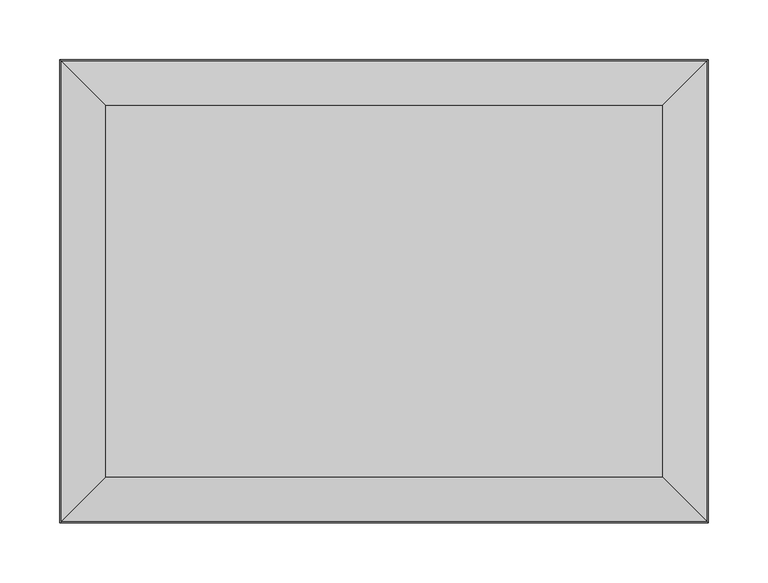
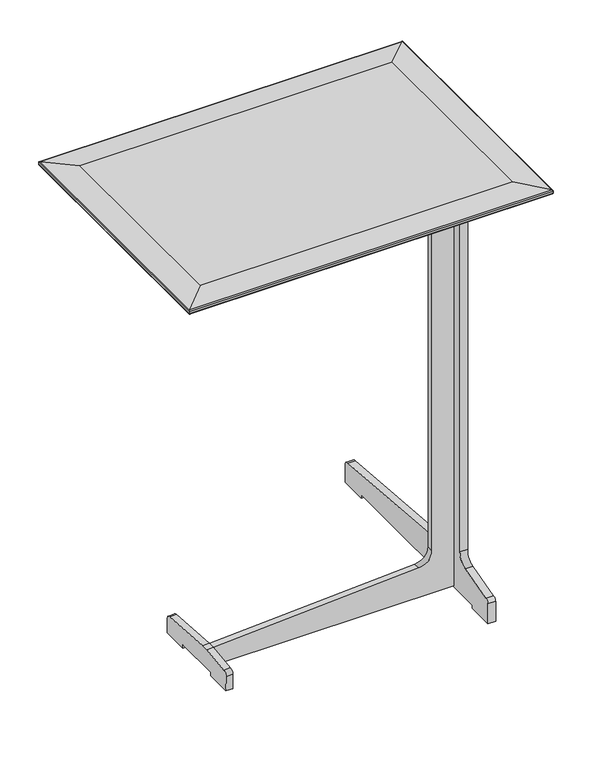
"""IFC4 building model written with IfcOpenShell, lengths in millimetres: furniture geometry."""

from ifc_helpers import new_model, si_unit, frame, origin, place, context, project, spatial, polyline, circle_curve, ellipse_curve, source, transform, mapped, element, save
from ifc_brep_helpers import plane_surface, cylinder_surface, revolved_surface, advanced_brep


def furniture_0f95e868(model_context):
    return source(origin(), model_context, "Body", "AdvancedBrep", [
        advanced_brep(
        [(-186.606408, -94.0830605, 627.0205936), (-180.122487, -94.0830605, 620.5366727), (134.1874543, -94.0830605, 604.0643866), (148.1871101, -94.0830605, 590.0647308), (148.1871101, -94.0830605, 72.8053398), (128.2004925, -94.0830605, 52.8187223), (-176.3349419, -94.0830605, 34.7457989), (-176.8279351, -94.0830605, 34.7457989), (-176.8279351, -94.0830605, 5.1358119), (-176.0707342, -94.0830605, 5.1358119), (-176.0707342, -94.0830605, 6.35), (180.3779384, -94.0830605, 6.35), (180.3779384, -94.0830605, 641.35), (-186.606408, -94.0830605, 641.35), (-186.606408, -84.0123573, 627.0205936), (-186.606408, -84.0123573, 641.35), (180.3779384, -84.0123573, 641.35), (180.3779384, -84.0123573, 6.35), (-176.0707342, -84.0123573, 6.35), (-176.0707342, -84.0123573, 5.1358119), (-176.8279351, -84.0123573, 5.1358119), (-176.8279351, -84.0123573, 34.7457989), (-176.3349419, -84.0123573, 34.7457989), (128.2004925, -84.0123573, 52.8187223), (148.1871101, -84.0123573, 72.8053398), (148.1871101, -84.0123573, 590.0647308), (134.1874543, -84.0123573, 604.0643866), (-180.122487, -84.0123573, 620.5366727), (-186.7500707, -84.0123573, 34.7457989), (-186.7500707, -94.0830605, 34.7457989), (-186.7500707, 1.1153003, 28.7930931), (-186.7500707, 7.0319885, 21.7418588), (-186.7500707, 7.0319885, -0.4860313), (-186.7500707, -32.8991316, -0.4860313), (-186.7500707, -32.8991316, 5.135814), (-186.7500707, -104.2427513, 5.135814), (-186.7500707, -104.2427513, -0.4860313), (-186.7500707, -143.3785569, -0.4860313), (-186.7500707, -144.6054754, 22.9249681), (-186.7500707, -138.2017369, 29.3287065), (-176.8279351, -104.2427513, 5.1358119), (-176.8279351, -32.8991316, 5.1358119), (180.3779384, -110.3904953, 641.35), (191.5691137, -110.3904953, 641.35), (191.5691137, 110.7139085, 641.35), (180.3779384, 110.7139085, 641.35), (-176.8279351, 1.1153003, 28.7930931), (-176.8279351, -32.8991316, -0.4860313), (-176.8279351, 7.0319885, -0.4860313), (-176.8279351, 7.0319885, 21.7418588), (-176.8279351, -138.2017369, 29.3287065), (-176.8279351, -144.6054754, 22.9249681), (-176.8279351, -143.3785569, -0.4860313), (-176.8279351, -104.2427513, -0.4860313), (191.5691137, -182.468363, 31.75), (191.5691137, -182.468363, 0.0), (191.5691137, -141.878367, 0.0), (191.5691137, -141.878367, 5.1357953), (191.5691137, 143.871633, 5.1357953), (191.5691137, 143.871633, 0.0), (191.5691137, 185.2595382, 0.0), (191.5691137, 185.2595382, 27.1019351), (191.5691137, 178.1320116, 34.2294617), (191.5691137, -48.7268523, 51.911315), (191.5691137, -69.2744004, 72.458863), (191.5691137, -69.2744004, 588.7297569), (191.5691137, -55.1560761, 604.9710311), (191.5691137, 104.1808459, 620.2203122), (191.5691137, 110.7139085, 626.7533749), (191.5691137, -110.3904953, 69.7644166), (191.5691137, -123.6486933, 51.5160727), (191.5691137, -176.996899, 37.2214641), (180.3779384, -182.468363, 31.75), (180.3779384, -176.996899, 37.2214641), (180.3779384, -123.6486933, 51.5160727), (180.3779384, -110.3904953, 69.7644166), (180.3779384, 110.7139085, 626.7533749), (180.3779384, 104.1808459, 620.2203122), (180.3779384, -55.1560761, 604.9710311), (180.3779384, -69.2744004, 588.7297569), (180.3779384, -69.2744004, 72.458863), (180.3779384, -48.7268523, 51.911315), (180.3779384, 178.1320116, 34.2294617), (180.3779384, 185.2595382, 27.1019351), (180.3779384, 185.2595382, 0.0), (180.3779384, 143.871633, 0.0), (180.3779384, 143.871633, 5.1357953), (180.3779384, -141.878367, 5.1357953), (180.3779384, -141.878367, 0.0), (180.3779384, -182.468363, 0.0)],
        [
            (0, 1, circle_curve(frame((-180.122487, -94.0830605, 627.0205936), z_axis=(0.0, -1.0, 0.0), x_axis=(1.0, 0.0, 0.0)), 6.483921)),
            (1, 2),
            (2, 3, circle_curve(frame((134.1874543, -94.0830605, 590.0647308), z_axis=(0.0, 1.0, 0.0), x_axis=(1.0, 0.0, 0.0)), 13.9996558)),
            (3, 4),
            (4, 5, circle_curve(frame((128.2004925, -94.0830605, 72.8053398), z_axis=(0.0, 1.0, 0.0), x_axis=(1.0, 0.0, 0.0)), 19.9866176)),
            (5, 6),
            (6, 7),
            (7, 8),
            (8, 9),
            (9, 10),
            (10, 11),
            (11, 12),
            (12, 13),
            (13, 0),
            (14, 15),
            (15, 16),
            (16, 17),
            (17, 18),
            (18, 19),
            (19, 20),
            (20, 21),
            (21, 22),
            (22, 23),
            (23, 24, circle_curve(frame((128.2004925, -84.0123573, 72.8053398), z_axis=(0.0, -1.0, 0.0), x_axis=(1.0, 0.0, 0.0)), 19.9866176)),
            (24, 25),
            (25, 26, circle_curve(frame((134.1874543, -84.0123573, 590.0647308), z_axis=(0.0, -1.0, 0.0), x_axis=(1.0, 0.0, 0.0)), 13.9996558)),
            (26, 27),
            (27, 14, circle_curve(frame((-180.122487, -84.0123573, 627.0205936), z_axis=(0.0, 1.0, 0.0), x_axis=(1.0, 0.0, 0.0)), 6.483921)),
            (0, 14),
            (27, 1),
            (26, 2),
            (25, 3),
            (24, 4),
            (23, 5),
            (22, 6),
            (21, 28),
            (28, 29),
            (29, 7),
            (28, 30),
            (30, 31, circle_curve(frame((-186.7500707, 0.6689955, 22.4106363), z_axis=(-1.0, 0.0, 0.0), x_axis=(0.0, 0.0, -1.0)), 6.3980422)),
            (31, 32),
            (32, 33),
            (33, 34),
            (34, 35),
            (35, 36),
            (36, 37),
            (37, 38),
            (38, 39, circle_curve(frame((-186.7500707, -138.2017369, 22.9249681), z_axis=(-1.0, 0.0, 0.0), x_axis=(0.0, 0.0, -1.0)), 6.4037385)),
            (39, 29),
            (19, 9),
            (8, 40),
            (40, 35),
            (34, 41),
            (41, 20),
            (18, 10),
            (17, 11),
            (12, 42),
            (42, 43),
            (43, 44),
            (44, 45),
            (45, 16),
            (15, 13),
            (46, 21),
            (41, 47),
            (47, 48),
            (48, 49),
            (49, 46, circle_curve(frame((-176.8279351, 0.6689955, 22.4106363), z_axis=(1.0, 0.0, 0.0), x_axis=(0.0, 0.0, -1.0)), 6.3980422)),
            (7, 50),
            (50, 51, circle_curve(frame((-176.8279351, -138.2017369, 22.9249681), z_axis=(1.0, 0.0, 0.0), x_axis=(0.0, 0.0, -1.0)), 6.4037385)),
            (51, 52),
            (52, 53),
            (53, 40),
            (49, 31),
            (30, 46),
            (48, 32),
            (47, 33),
            (53, 36),
            (52, 37),
            (51, 38),
            (50, 39),
            (54, 55),
            (55, 56),
            (56, 57),
            (57, 58),
            (58, 59),
            (59, 60),
            (60, 61),
            (61, 62, circle_curve(frame((191.5691137, 178.1320116, 27.1019351), z_axis=(1.0, 0.0, 0.0), x_axis=(0.0, 1.0, 0.0)), 7.1275266)),
            (62, 63),
            (63, 64, circle_curve(frame((191.5691137, -48.7268523, 72.458863), z_axis=(-1.0, 0.0, 0.0), x_axis=(0.0, 1.0, 0.0)), 20.547548)),
            (64, 65),
            (65, 66, circle_curve(frame((191.5691137, -53.6677906, 589.4202111), z_axis=(-1.0, 0.0, 0.0), x_axis=(0.0, 1.0, 0.0)), 15.6218755)),
            (66, 67),
            (67, 68, circle_curve(frame((191.5691137, 104.1808459, 626.7533749), z_axis=(1.0, 0.0, 0.0), x_axis=(0.0, 1.0, 0.0)), 6.5330626)),
            (68, 44),
            (43, 69),
            (69, 70, circle_curve(frame((191.5691137, -128.2870083, 68.8265001), z_axis=(-1.0, 0.0, 0.0), x_axis=(0.0, 1.0, 0.0)), 17.9210732)),
            (70, 71),
            (71, 54, circle_curve(frame((191.5691137, -176.996899, 31.75), z_axis=(1.0, 0.0, 0.0), x_axis=(0.0, 1.0, 0.0)), 5.4714641)),
            (72, 73, circle_curve(frame((180.3779384, -176.996899, 31.75), z_axis=(-1.0, 0.0, 0.0), x_axis=(0.0, 1.0, 0.0)), 5.4714641)),
            (73, 74),
            (74, 75, circle_curve(frame((180.3779384, -128.2870083, 68.8265001), z_axis=(1.0, 0.0, 0.0), x_axis=(0.0, 1.0, 0.0)), 17.9210732)),
            (75, 42),
            (45, 76),
            (76, 77, circle_curve(frame((180.3779384, 104.1808459, 626.7533749), z_axis=(-1.0, 0.0, 0.0), x_axis=(0.0, 1.0, 0.0)), 6.5330626)),
            (77, 78),
            (78, 79, circle_curve(frame((180.3779384, -53.6677906, 589.4202111), z_axis=(1.0, 0.0, 0.0), x_axis=(0.0, 1.0, 0.0)), 15.6218755)),
            (79, 80),
            (80, 81, circle_curve(frame((180.3779384, -48.7268523, 72.458863), z_axis=(1.0, 0.0, 0.0), x_axis=(0.0, 1.0, 0.0)), 20.547548)),
            (81, 82),
            (82, 83, circle_curve(frame((180.3779384, 178.1320116, 27.1019351), z_axis=(-1.0, 0.0, 0.0), x_axis=(0.0, 1.0, 0.0)), 7.1275266)),
            (83, 84),
            (84, 85),
            (85, 86),
            (86, 87),
            (87, 88),
            (88, 89),
            (89, 72),
            (54, 72),
            (89, 55),
            (88, 56),
            (87, 57),
            (86, 58),
            (85, 59),
            (84, 60),
            (83, 61),
            (82, 62),
            (81, 63),
            (80, 64),
            (79, 65),
            (78, 66),
            (77, 67),
            (76, 68),
            (75, 69),
            (74, 70),
            (73, 71),
        ],
        [
            plane_surface(frame((-173.638566, -94.0830605, 627.0205936), z_axis=(0.0, -1.0, 0.0), x_axis=(0.0, 0.0, 1.0))),
            plane_surface(frame((-173.638566, -84.0123573, 627.0205936), z_axis=(0.0, 1.0, 0.0), x_axis=(0.0, 0.0, -1.0))),
            cylinder_surface(frame((-180.122487, -84.0123573, 627.0205936), z_axis=(0.0, -1.0, 0.0), x_axis=(1.0, 0.0, 0.0)), 6.483921),
            plane_surface(frame((-180.122487, -94.0830605, 620.5366727), z_axis=(-0.052335956242946874, 0.0, -0.9986295347545737), x_axis=(0.0, 1.0, 0.0))),
            revolved_surface(polyline([(148.1871101, -84.0123573, 590.0647308), (148.1871101, -94.0830605, 590.0647308)]), (134.1874543, -84.0123573, 590.0647308), (0.0, 1.0, 0.0)),
            plane_surface(frame((148.1871101, -94.0830605, 590.0647308), z_axis=(-1.0, 0.0, 0.0), x_axis=(0.0, 1.0, 0.0))),
            revolved_surface(polyline([(148.18711009999998, -84.0123573, 72.8053398), (148.18711009999998, -94.0830605, 72.8053398)]), (128.2004925, -84.0123573, 72.8053398), (0.0, 1.0, 0.0)),
            plane_surface(frame((128.2004925, -94.0830605, 52.8187223), z_axis=(-0.05924164940465884, 0.0, 0.9982436711423797), x_axis=(0.0, 1.0, 0.0))),
            plane_surface(frame((-176.3349419, -94.0830605, 34.7457989), z_axis=(0.0, 0.0, 1.0), x_axis=(0.0, 1.0, 0.0))),
            plane_surface(frame((-186.7500707, -94.0830605, 34.7457989), z_axis=(-1.0, 0.0, 0.0), x_axis=(0.0, 1.0, 0.0))),
            plane_surface(frame((-186.7500707, -94.0830605, 5.1358119), z_axis=(0.0, 0.0, -1.0), x_axis=(0.0, 1.0, 0.0))),
            plane_surface(frame((-176.0707342, -94.0830605, 5.1358119), z_axis=(1.0, 0.0, 0.0), x_axis=(0.0, 1.0, 0.0))),
            plane_surface(frame((-176.0707342, -94.0830605, 6.35), z_axis=(0.0, 0.0, -1.0), x_axis=(0.0, 1.0, 0.0))),
            plane_surface(frame((180.3779384, -94.0830605, 641.35), z_axis=(0.0, 0.0, 1.0), x_axis=(0.0, 1.0, 0.0))),
            plane_surface(frame((-186.606408, -94.0830605, 641.35), z_axis=(-1.0, 0.0, 0.0), x_axis=(0.0, 1.0, 0.0))),
            plane_surface(frame((-176.8279351, 0.6689955, 16.0125941), z_axis=(1.0, 0.0, 0.0), x_axis=(0.0, 1.0, 0.0))),
            cylinder_surface(frame((-176.8279351, 0.6689955, 22.4106363), z_axis=(-1.0, 0.0, 0.0), x_axis=(0.0, 0.0, -1.0)), 6.3980422),
            plane_surface(frame((-186.7500707, 7.0319885, 21.7418588), z_axis=(0.0, 1.0, 0.0), x_axis=(1.0, 0.0, 0.0))),
            plane_surface(frame((-186.7500707, 7.0319885, -0.4860313), z_axis=(0.0, 0.0, -1.0), x_axis=(1.0, 0.0, 0.0))),
            plane_surface(frame((-186.7500707, -32.8991316, -0.4860313), z_axis=(0.0, -1.0, 0.0), x_axis=(1.0, 0.0, 0.0))),
            plane_surface(frame((-186.7500707, -104.2427513, 5.135814), z_axis=(0.0, 1.0, 0.0), x_axis=(1.0, 0.0, 0.0))),
            plane_surface(frame((-186.7500707, -104.2427513, -0.4860313), z_axis=(0.0, 0.0, -1.0), x_axis=(1.0, 0.0, 0.0))),
            plane_surface(frame((-186.7500707, -143.3785569, -0.4860313), z_axis=(0.0, -0.9986295347545738, -0.05233595624294578), x_axis=(1.0, 0.0, 0.0))),
            cylinder_surface(frame((-176.8279351, -138.2017369, 22.9249681), z_axis=(-1.0, 0.0, 0.0), x_axis=(0.0, 0.0, -1.0)), 6.4037385),
            plane_surface(frame((-186.7500707, -138.2017369, 29.3287065), z_axis=(0.0, -0.12186934340514917, 0.9925461516413219), x_axis=(1.0, 0.0, 0.0))),
            plane_surface(frame((-186.7500707, -84.0123573, 34.7457989), z_axis=(0.0, 0.06975647374412357, 0.9975640502598244), x_axis=(1.0, 0.0, 0.0))),
            plane_surface(frame((191.5691137, -182.468363, 0.0), z_axis=(1.0, 0.0, 0.0), x_axis=(0.0, 0.0, -1.0))),
            plane_surface(frame((180.3779384, -182.468363, 0.0), z_axis=(-1.0, 0.0, 0.0), x_axis=(0.0, 0.0, 1.0))),
            plane_surface(frame((191.5691137, -182.468363, 31.75), z_axis=(0.0, -1.0, 0.0), x_axis=(-1.0, 0.0, 0.0))),
            plane_surface(frame((191.5691137, -182.468363, 0.0), z_axis=(0.0, 0.0, -1.0), x_axis=(-1.0, 0.0, 0.0))),
            plane_surface(frame((191.5691137, -141.878367, 0.0), z_axis=(0.0, 1.0, 0.0), x_axis=(-1.0, 0.0, 0.0))),
            plane_surface(frame((191.5691137, -141.878367, 5.1357953), z_axis=(0.0, 0.0, -1.0), x_axis=(-1.0, 0.0, 0.0))),
            plane_surface(frame((191.5691137, 143.871633, 5.1357953), z_axis=(0.0, -1.0, 0.0), x_axis=(-1.0, 0.0, 0.0))),
            plane_surface(frame((191.5691137, 143.871633, 0.0), z_axis=(0.0, 0.0, -1.0), x_axis=(-1.0, 0.0, 0.0))),
            plane_surface(frame((191.5691137, 185.2595382, 0.0), z_axis=(0.0, 1.0, 0.0), x_axis=(-1.0, 0.0, 0.0))),
            cylinder_surface(frame((180.3779384, 178.1320116, 27.1019351), z_axis=(1.0, 0.0, 0.0), x_axis=(0.0, 1.0, 0.0)), 7.1275266),
            plane_surface(frame((191.5691137, 178.1320116, 34.2294617), z_axis=(0.0, 0.07770641205814968, 0.9969762853373441), x_axis=(-1.0, 0.0, 0.0))),
            revolved_surface(polyline([(180.3779384, -28.1793043, 72.458863), (191.5691137, -28.1793043, 72.458863)]), (180.3779384, -48.7268523, 72.458863), (-1.0, 0.0, 0.0)),
            plane_surface(frame((191.5691137, -69.2744004, 72.458863), z_axis=(0.0, 1.0, 0.0), x_axis=(-1.0, 0.0, 0.0))),
            revolved_surface(polyline([(180.3779384, -38.045915099999995, 589.4202111), (191.5691137, -38.045915099999995, 589.4202111)]), (180.3779384, -53.6677906, 589.4202111), (-1.0, 0.0, 0.0)),
            plane_surface(frame((191.5691137, -55.1560761, 604.9710311), z_axis=(0.0, 0.09526932052312856, -0.9954515340121093), x_axis=(-1.0, 0.0, 0.0))),
            cylinder_surface(frame((180.3779384, 104.1808459, 626.7533749), z_axis=(1.0, 0.0, 0.0), x_axis=(0.0, 1.0, 0.0)), 6.5330626),
            plane_surface(frame((191.5691137, 110.7139085, 626.7533749), z_axis=(0.0, 1.0, 0.0), x_axis=(-1.0, 0.0, 0.0))),
            plane_surface(frame((191.5691137, -110.3904953, 641.35), z_axis=(0.0, -1.0, 0.0), x_axis=(-1.0, 0.0, 0.0))),
            revolved_surface(polyline([(180.3779384, -110.3659351, 68.8265001), (191.5691137, -110.3659351, 68.8265001)]), (180.3779384, -128.2870083, 68.8265001), (-1.0, 0.0, 0.0)),
            plane_surface(frame((191.5691137, -123.6486933, 51.5160727), z_axis=(0.0, -0.25881904510252035, 0.9659258262890684), x_axis=(-1.0, 0.0, 0.0))),
            cylinder_surface(frame((180.3779384, -176.996899, 31.75), z_axis=(1.0, 0.0, 0.0), x_axis=(0.0, 1.0, 0.0)), 5.4714641),
        ],
        [
            (0, [[1, 2, 3, 4, 5, 6, 7, 8, 9, 10, 11, 12, 13, 14]]),
            (1, [[15, 16, 17, 18, 19, 20, 21, 22, 23, 24, 25, 26, 27, 28]]),
            (2, [[-1, 29, -28, 30]]),
            (3, [[-2, -30, -27, 31]]),
            (4, [[-3, -31, -26, 32]]),
            (5, [[-4, -32, -25, 33]]),
            (6, [[-5, -33, -24, 34]]),
            (7, [[-6, -34, -23, 35]]),
            (8, [[-35, -22, 36, 37, 38, -7]]),
            (9, [[-37, 39, 40, 41, 42, 43, 44, 45, 46, 47, 48, 49]]),
            (10, [[50, -9, 51, 52, -44, 53, 54, -20]]),
            (11, [[-10, -50, -19, 55]]),
            (12, [[-11, -55, -18, 56]]),
            (13, [[-13, 57, 58, 59, 60, 61, -16, 62]]),
            (14, [[-14, -62, -15, -29]]),
            (15, [[63, -21, -54, 64, 65, 66, 67]]),
            (15, [[68, 69, 70, 71, 72, -51, -8]]),
            (16, [[-67, 73, -40, 74]]),
            (17, [[-66, 75, -41, -73]]),
            (18, [[-65, 76, -42, -75]]),
            (19, [[-64, -53, -43, -76]]),
            (20, [[-72, 77, -45, -52]]),
            (21, [[-71, 78, -46, -77]]),
            (22, [[-70, 79, -47, -78]]),
            (23, [[-69, 80, -48, -79]]),
            (24, [[-68, -38, -49, -80]]),
            (25, [[-63, -74, -39, -36]]),
            (26, [[81, 82, 83, 84, 85, 86, 87, 88, 89, 90, 91, 92, 93, 94, 95, -59, 96, 97, 98, 99]]),
            (27, [[100, 101, 102, 103, -57, -12, -56, -17, -61, 104, 105, 106, 107, 108, 109, 110, 111, 112, 113, 114, 115, 116, 117, 118]]),
            (28, [[-81, 119, -118, 120]]),
            (29, [[-82, -120, -117, 121]]),
            (30, [[-83, -121, -116, 122]]),
            (31, [[-84, -122, -115, 123]]),
            (32, [[-85, -123, -114, 124]]),
            (33, [[-86, -124, -113, 125]]),
            (34, [[-87, -125, -112, 126]]),
            (35, [[-88, -126, -111, 127]]),
            (36, [[-89, -127, -110, 128]]),
            (37, [[-90, -128, -109, 129]]),
            (38, [[-91, -129, -108, 130]]),
            (39, [[-92, -130, -107, 131]]),
            (40, [[-93, -131, -106, 132]]),
            (41, [[-94, -132, -105, 133]]),
            (42, [[-95, -133, -104, -60]]),
            (43, [[-96, -58, -103, 134]]),
            (44, [[-97, -134, -102, 135]]),
            (45, [[-98, -135, -101, 136]]),
            (46, [[-99, -136, -100, -119]]),
        ],
    ),
        advanced_brep(
        [(-232.1222344, 154.5508911, 660.4), (-232.1222344, -155.5271298, 660.4), (232.1222344, -155.5271298, 660.4), (232.1222344, 154.5508911, 660.4), (-248.4739026, -171.878798, 641.35), (-248.4739026, 170.9025593, 641.35), (248.4739026, 170.9025593, 641.35), (248.4739026, -171.878798, 641.35), (-269.2428324, 191.671489, 657.1523685), (-269.2428324, -192.6477277, 657.1523685), (-269.2428324, 191.671489, 651.034711), (-269.2428324, -192.6477277, 651.034711), (-270.5344247, -193.93932, 652.3263033), (-270.5344247, 192.9630813, 652.3263033), (-270.5344247, -193.93932, 655.8607762), (-270.5344247, 192.9630813, 655.8607762), (269.2428324, -192.6477277, 657.1523685), (269.2428324, -192.6477277, 651.034711), (270.5344247, -193.93932, 652.3263033), (270.5344247, -193.93932, 655.8607762), (269.2428324, 191.671489, 657.1523685), (269.2428324, 191.671489, 651.034711), (270.5344247, 192.9630813, 652.3263033), (270.5344247, 192.9630813, 655.8607762)],
        [
            (0, 1),
            (1, 2),
            (2, 3),
            (3, 0),
            (4, 5),
            (5, 6),
            (6, 7),
            (7, 4),
            (0, 8),
            (8, 9),
            (9, 1),
            (10, 5),
            (4, 11),
            (11, 10),
            (11, 12, ellipse_curve(frame((-269.2428324, -192.6477277, 652.3263033), z_axis=(-0.7071067811865475, 0.7071067811865475, 0.0), x_axis=(0.7071067811865474, 0.7071067811865476, 0.0)), 1.8265874, 1.2915923)),
            (12, 13),
            (13, 10, ellipse_curve(frame((-269.2428324, 191.671489, 652.3263033), z_axis=(-0.7071067811865475, -0.7071067811865475, 0.0), x_axis=(-0.7071067811865474, 0.7071067811865476, 0.0)), 1.8265874, 1.2915923)),
            (12, 14),
            (14, 15),
            (15, 13),
            (8, 15, ellipse_curve(frame((-269.2428324, 191.671489, 655.8607762), z_axis=(-0.7071067811865475, -0.7071067811865475, 0.0), x_axis=(-0.7071067811865474, 0.7071067811865476, 0.0)), 1.8265874, 1.2915923)),
            (14, 9, ellipse_curve(frame((-269.2428324, -192.6477277, 655.8607762), z_axis=(-0.7071067811865475, 0.7071067811865475, 0.0), x_axis=(0.7071067811865474, 0.7071067811865476, 0.0)), 1.8265874, 1.2915923)),
            (9, 16),
            (16, 2),
            (7, 17),
            (17, 11),
            (17, 18, ellipse_curve(frame((269.2428324, -192.6477277, 652.3263033), z_axis=(-0.7071067811865475, -0.7071067811865475, 0.0), x_axis=(-0.7071067811865476, 0.7071067811865474, 0.0)), 1.8265874, 1.2915923)),
            (18, 12),
            (18, 19),
            (19, 14),
            (19, 16, ellipse_curve(frame((269.2428324, -192.6477277, 655.8607762), z_axis=(-0.7071067811865475, -0.7071067811865475, 0.0), x_axis=(-0.7071067811865476, 0.7071067811865474, 0.0)), 1.8265874, 1.2915923)),
            (16, 20),
            (20, 3),
            (6, 21),
            (21, 17),
            (21, 22, ellipse_curve(frame((269.2428324, 191.671489, 652.3263033), z_axis=(0.7071067811865475, -0.7071067811865475, 0.0), x_axis=(-0.7071067811865474, -0.7071067811865476, 0.0)), 1.8265874, 1.2915923)),
            (22, 18),
            (22, 23),
            (23, 19),
            (23, 20, ellipse_curve(frame((269.2428324, 191.671489, 655.8607762), z_axis=(0.7071067811865475, -0.7071067811865475, 0.0), x_axis=(-0.7071067811865474, -0.7071067811865476, 0.0)), 1.8265874, 1.2915923)),
            (20, 8),
            (10, 21),
            (13, 22),
            (15, 23),
        ],
        [
            plane_surface(frame((-232.1222344, 154.5508911, 660.4), z_axis=(0.0, 0.0, 1.0), x_axis=(-1.0, 0.0, 0.0))),
            plane_surface(frame((-232.1222344, 154.5508911, 641.35), z_axis=(0.0, 0.0, -1.0), x_axis=(1.0, 0.0, 0.0))),
            plane_surface(frame((-269.2428324, 191.671489, 657.1523685), z_axis=(-0.08715574274765535, 0.0, 0.9961946980917458), x_axis=(0.0, -1.0, 0.0))),
            plane_surface(frame((-248.4739026, 170.9025593, 641.35), z_axis=(-0.4226182617407016, 0.0, -0.906307787036649), x_axis=(0.0, -1.0, 0.0))),
            cylinder_surface(frame((-269.2428324, 154.5508911, 652.3263033), z_axis=(0.0, 1.0, 0.0), x_axis=(1.0, 0.0, 0.0)), 1.2915923),
            plane_surface(frame((-270.5344247, 192.9630813, 652.3263033), z_axis=(-1.0, 0.0, 0.0), x_axis=(0.0, -1.0, 0.0))),
            cylinder_surface(frame((-269.2428324, 154.5508911, 655.8607762), z_axis=(0.0, 1.0, 0.0), x_axis=(1.0, 0.0, 0.0)), 1.2915923),
            plane_surface(frame((-269.2428324, -192.6477277, 657.1523685), z_axis=(0.0, -0.0871557427476583, 0.9961946980917455), x_axis=(1.0, 0.0, 0.0))),
            plane_surface(frame((-248.4739026, -171.878798, 641.35), z_axis=(0.0, -0.42261826174069894, -0.9063077870366503), x_axis=(1.0, 0.0, 0.0))),
            cylinder_surface(frame((-232.1222344, -192.6477277, 652.3263033), z_axis=(-1.0, 0.0, 0.0), x_axis=(0.0, 1.0, 0.0)), 1.2915923),
            plane_surface(frame((-270.5344247, -193.93932, 652.3263033), z_axis=(0.0, -1.0, 0.0), x_axis=(1.0, 0.0, 0.0))),
            cylinder_surface(frame((-232.1222344, -192.6477277, 655.8607762), z_axis=(-1.0, 0.0, 0.0), x_axis=(0.0, 1.0, 0.0)), 1.2915923),
            plane_surface(frame((269.2428324, -192.6477277, 657.1523685), z_axis=(0.08715574274766126, 0.0, 0.9961946980917453), x_axis=(0.0, 1.0, 0.0))),
            plane_surface(frame((248.4739026, -171.878798, 641.35), z_axis=(0.4226182617406963, 0.0, -0.9063077870366515), x_axis=(0.0, 1.0, 0.0))),
            cylinder_surface(frame((269.2428324, -155.5271298, 652.3263033), z_axis=(0.0, -1.0, 0.0), x_axis=(-1.0, 0.0, 0.0)), 1.2915923),
            plane_surface(frame((270.5344247, -193.93932, 652.3263033), z_axis=(1.0, 0.0, 0.0), x_axis=(0.0, 1.0, 0.0))),
            cylinder_surface(frame((269.2428324, -155.5271298, 655.8607762), z_axis=(0.0, -1.0, 0.0), x_axis=(-1.0, 0.0, 0.0)), 1.2915923),
            plane_surface(frame((269.2428324, 191.671489, 657.1523685), z_axis=(0.0, 0.0871557427476583, 0.9961946980917455), x_axis=(-1.0, 0.0, 0.0))),
            plane_surface(frame((248.4739026, 170.9025593, 641.35), z_axis=(0.0, 0.42261826174069894, -0.9063077870366503), x_axis=(-1.0, 0.0, 0.0))),
            cylinder_surface(frame((232.1222344, 191.671489, 652.3263033), z_axis=(1.0, 0.0, 0.0), x_axis=(0.0, -1.0, 0.0)), 1.2915923),
            plane_surface(frame((270.5344247, 192.9630813, 652.3263033), z_axis=(0.0, 1.0, 0.0), x_axis=(-1.0, 0.0, 0.0))),
            cylinder_surface(frame((232.1222344, 191.671489, 655.8607762), z_axis=(1.0, 0.0, 0.0), x_axis=(0.0, -1.0, 0.0)), 1.2915923),
        ],
        [
            (0, [[1, 2, 3, 4]]),
            (1, [[5, 6, 7, 8]]),
            (2, [[9, 10, 11, -1]]),
            (3, [[12, -5, 13, 14]]),
            (4, [[-14, 15, 16, 17]]),
            (5, [[-16, 18, 19, 20]]),
            (6, [[-10, 21, -19, 22]]),
            (7, [[-11, 23, 24, -2]]),
            (8, [[-13, -8, 25, 26]]),
            (9, [[-15, -26, 27, 28]]),
            (10, [[-18, -28, 29, 30]]),
            (11, [[-22, -30, 31, -23]]),
            (12, [[-24, 32, 33, -3]]),
            (13, [[-25, -7, 34, 35]]),
            (14, [[-27, -35, 36, 37]]),
            (15, [[-29, -37, 38, 39]]),
            (16, [[-31, -39, 40, -32]]),
            (17, [[-9, -4, -33, 41]]),
            (18, [[-12, 42, -34, -6]]),
            (19, [[-17, 43, -36, -42]]),
            (20, [[-20, 44, -38, -43]]),
            (21, [[-21, -41, -40, -44]]),
        ],
    ),
    ])


if __name__ == "__main__":
    model = new_model("IFC4")
    model_context = context("Model", 3, world=origin())
    ifc_project = project(units=[si_unit("LENGTHUNIT", "METRE", prefix="MILLI")], contexts=[model_context])
    site = spatial("IfcSite", under=ifc_project)
    building = spatial("IfcBuilding", under=site)
    placement = place(None, origin())
    furniture_shape = furniture_0f95e868(model_context)
    element("IfcFurniture", 1, at=placement, inside=building, context=model_context, shape_type="MappedRepresentation", body=[
        mapped(furniture_shape, transform((0.0, 0.0, 0.0), x_axis=(1.0, 0.0, 0.0), y_axis=(0.0, 1.0, 0.0), z_axis=(0.0, 0.0, 1.0))),
    ])
    save(model, "model.ifc")
